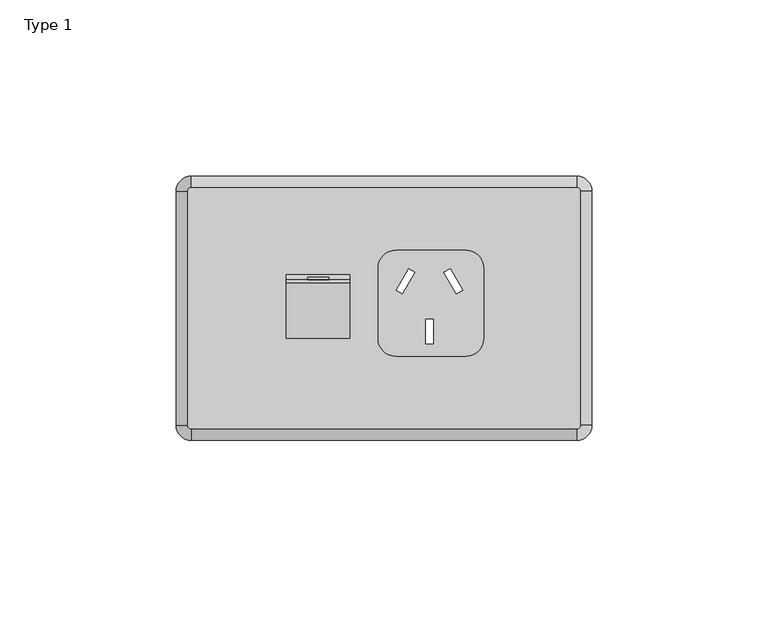
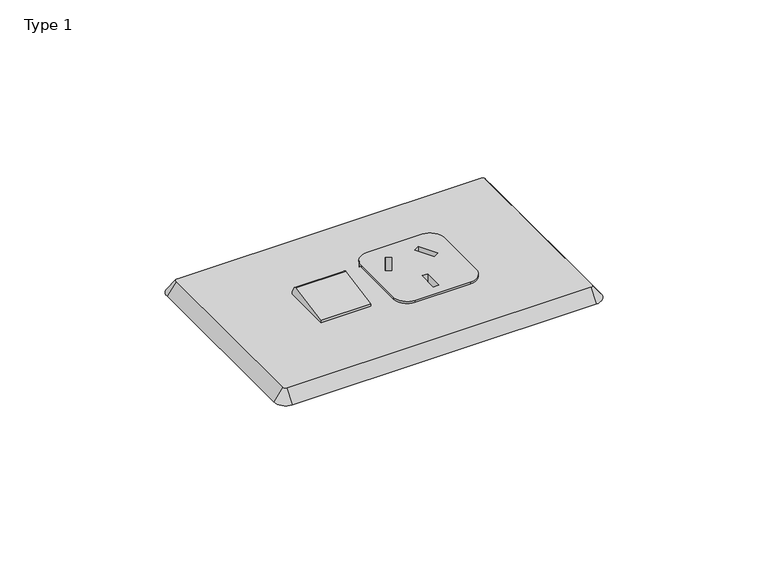
"""IFC4 building model written with IfcOpenShell, lengths in millimetres: proxy geometry, Type 1."""

from ifc_helpers import new_model, si_unit, point, frame, frame_2d, origin, origin_with_axes, place, context, project, spatial, polyline, circle_curve, trimmed, segment, composite_curve, outline, extrude, source, transform, mapped, element, save
from ifc_brep_helpers import plane_surface, cylinder_surface, revolved_surface, advanced_brep


def type_1_56e20935(model_context):
    return source(origin(), model_context, "Body", "SolidModel", [
        extrude(outline(polyline([(0.0, -6.0), (0.0, 0.0), (1.0, 0.0), (1.0, -6.0), (0.0, -6.0)])), frame((-15.6804219, 8.7997815, 6.2786688), z_axis=(0.0, -0.5, 0.8660254037844387), x_axis=(0.0, -0.8660254037844387, -0.5)), (0.0, 0.0, 1.0), 1.0),
        advanced_brep(
        [(-9.6804219, 9.4736674, 0.0), (-9.6804219, 9.4736674, 5.1114642), (-9.6804219, 8.0946456, 7.5), (-9.6804219, 7.0472665, 7.9834179), (-9.6804219, -8.5263326, 5.1114642), (-9.6804219, -8.5263326, 0.0), (-27.6804219, 9.4736674, 0.0), (-27.6804219, -8.5263326, 0.0), (-27.6804219, -8.5263326, 5.1114642), (-27.6804219, 7.0472665, 7.9834179), (-27.6804219, 8.0946456, 7.5), (-27.6804219, 9.4736674, 5.1114642), (-21.6804219, 8.7997815, 6.2786688), (-15.6804219, 8.7997815, 6.2786688), (-15.6804219, 8.2997815, 7.1446942), (-21.6804219, 8.2997815, 7.1446942), (-21.6804219, 7.9337561, 5.7786688), (-21.6804219, 7.4337561, 6.6446942), (-15.6804219, 7.4337561, 6.6446942), (-15.6804219, 7.9337561, 5.7786688)],
        [
            (0, 1),
            (1, 2),
            (2, 3, circle_curve(frame((-9.6804219, 7.2286202, 7.0), z_axis=(1.0, 0.0, 0.0), x_axis=(0.0, 0.0, -1.0)), 1.0)),
            (3, 4),
            (4, 5),
            (5, 0),
            (6, 7),
            (7, 8),
            (8, 9),
            (9, 10, circle_curve(frame((-27.6804219, 7.2286202, 7.0), z_axis=(-1.0, 0.0, 0.0), x_axis=(0.0, 0.0, -1.0)), 1.0)),
            (10, 11),
            (11, 6),
            (5, 7),
            (6, 0),
            (4, 8),
            (3, 9),
            (2, 10),
            (1, 11),
            (12, 13),
            (13, 14),
            (14, 15),
            (15, 12),
            (16, 17),
            (17, 18),
            (18, 19),
            (19, 16),
            (19, 13),
            (12, 16),
            (18, 14),
            (17, 15),
        ],
        [
            plane_surface(frame((-9.6804219, 1465.7366842, 0.0), z_axis=(1.0, 0.0, 0.0), x_axis=(0.0, 1.0, 0.0))),
            plane_surface(frame((-27.6804219, 1465.7366842, 0.0), z_axis=(-1.0, 0.0, 0.0), x_axis=(0.0, -1.0, 0.0))),
            plane_surface(frame((-27.6804219, 9.4736674, 0.0), z_axis=(0.0, 0.0, -1.0), x_axis=(1.0, 0.0, 0.0))),
            plane_surface(frame((-27.6804219, -8.5263326, 0.0), z_axis=(0.0, -1.0, 0.0), x_axis=(1.0, 0.0, 0.0))),
            plane_surface(frame((-27.6804219, -8.5263326, 5.1114642), z_axis=(0.0, -0.18135376114201404, 0.9834179240382216), x_axis=(1.0, 0.0, 0.0))),
            cylinder_surface(frame((-9.6804219, 7.2286202, 7.0), z_axis=(-1.0, 0.0, 0.0), x_axis=(0.0, 0.0, -1.0)), 1.0),
            plane_surface(frame((-27.6804219, 8.0946456, 7.5), z_axis=(0.0, 0.866025403784438, 0.500000000000001), x_axis=(1.0, 0.0, 0.0))),
            plane_surface(frame((-27.6804219, 9.4736674, 5.1114642), z_axis=(0.0, 1.0, 0.0), x_axis=(1.0, 0.0, 0.0))),
            plane_surface(frame((-18.6804219, 7.9337561, 5.7786688), z_axis=(0.0, 0.8660254037844383, 0.5000000000000007), x_axis=(1.0, 0.0, 0.0))),
            plane_surface(frame((-21.6804219, 7.9337561, 5.7786688), z_axis=(0.0, -0.5000000000000004, 0.8660254037844384), x_axis=(0.0, 0.8660254037844384, 0.5000000000000004))),
            plane_surface(frame((-15.6804219, 7.9337561, 5.7786688), z_axis=(-1.0, 0.0, 0.0), x_axis=(0.0, 0.8660254037844382, 0.5000000000000009))),
            plane_surface(frame((-15.6804219, 7.4337561, 6.6446942), z_axis=(0.0, 0.5000000000000004, -0.8660254037844384), x_axis=(0.0, 0.8660254037844384, 0.5000000000000004))),
            plane_surface(frame((-21.6804219, 7.4337561, 6.6446942), z_axis=(1.0, 0.0, 0.0), x_axis=(0.0, 0.8660254037844384, 0.5000000000000004))),
        ],
        [
            (0, [[1, 2, 3, 4, 5, 6]]),
            (1, [[7, 8, 9, 10, 11, 12]]),
            (2, [[-6, 13, -7, 14]]),
            (3, [[-5, 15, -8, -13]]),
            (4, [[-4, 16, -9, -15]]),
            (5, [[-3, 17, -10, -16]]),
            (6, [[-2, 18, -11, -17], [19, 20, 21, 22]]),
            (7, [[-1, -14, -12, -18]]),
            (8, [[23, 24, 25, 26]]),
            (9, [[-26, 27, -19, 28]]),
            (10, [[-25, 29, -20, -27]]),
            (11, [[-24, 30, -21, -29]]),
            (12, [[-23, -28, -22, -30]]),
        ],
    ),
        extrude(outline(composite_curve([segment(trimmed(circle_curve(frame_2d((23.3195781, 11.4130131)), 5.0), [point((23.3195781, 16.4130131))], [point((28.3195781, 11.4130131))], False, "CARTESIAN"), True, "CONTINUOUS"), segment(polyline([(28.3195781, 11.4130131), (28.3195781, -8.5869869)]), True, "CONTINUOUS"), segment(trimmed(circle_curve(frame_2d((23.3195781, -8.5869869)), 5.0), [point((28.3195781, -8.5869869))], [point((23.3195781, -13.5869869))], False, "CARTESIAN"), True, "CONTINUOUS"), segment(polyline([(23.3195781, -13.5869869), (3.3195781, -13.5869869)]), True, "CONTINUOUS"), segment(trimmed(circle_curve(frame_2d((3.3195781, -8.5869869)), 5.0), [point((3.3195781, -13.5869869))], [point((-1.6804219, -8.5869869))], False, "CARTESIAN"), True, "CONTINUOUS"), segment(polyline([(-1.6804219, -8.5869869), (-1.6804219, 11.4130131)]), True, "CONTINUOUS"), segment(trimmed(circle_curve(frame_2d((3.3195781, 11.4130131)), 5.0), [point((-1.6804219, 11.4130131))], [point((3.3195781, 16.4130131))], False, "CARTESIAN"), True, "CONTINUOUS"), segment(polyline([(3.3195781, 16.4130131), (23.3195781, 16.4130131)]), True, "CONTINUOUS")], self_intersect=False), holes=[polyline([(22.298677, 5.1380437), (18.7424377, 11.167402), (17.0197639, 10.1513337), (20.5760032, 4.1219753), (22.298677, 5.1380437)]), polyline([(3.4102317, 5.1380437), (5.1329055, 4.1219753), (8.6891448, 10.1513337), (6.966471, 11.167402), (3.4102317, 5.1380437)]), polyline([(11.9136378, -10.1130929), (13.9136378, -10.1130929), (13.9136378, -3.1130929), (11.9136378, -3.1130929), (11.9136378, -10.1130929)])]), origin_with_axes(), (0.0, 0.0, 1.0), 5.0),
        advanced_brep(
        [(54.75, 34.25, 4.5), (-54.75, 34.25, 4.5), (-55.75, 33.25, 4.5), (-55.75, -33.25, 4.5), (-54.75, -34.25, 4.5), (54.75, -34.25, 4.5), (55.75, -33.25, 4.5), (55.75, 33.25, 4.5), (23.3195781, 16.4130131, 4.5), (28.3195781, 11.4130131, 4.5), (28.3195781, -8.5869869, 4.5), (23.3195781, -13.5869869, 4.5), (3.3195781, -13.5869869, 4.5), (-1.6804219, -8.5869869, 4.5), (-1.6804219, 11.4130131, 4.5), (3.3195781, 16.4130131, 4.5), (-9.6804219, 9.4736674, 4.5), (-9.6804219, -8.5263326, 4.5), (-27.6804219, -8.5263326, 4.5), (-27.6804219, 9.4736674, 4.5), (54.75, 37.5, 0.0), (59.0, 33.25, 0.0), (59.0, -33.25, 0.0), (54.75, -37.5, 0.0), (-54.75, -37.5, 0.0), (-59.0, -33.25, 0.0), (-59.0, 33.25, 0.0), (-54.75, 37.5, 0.0), (28.3195781, 11.4130131, 0.0), (23.3195781, 16.4130131, 0.0), (3.3195781, 16.4130131, 0.0), (-1.6804219, 11.4130131, 0.0), (-1.6804219, -8.5869869, 0.0), (3.3195781, -13.5869869, 0.0), (23.3195781, -13.5869869, 0.0), (28.3195781, -8.5869869, 0.0), (-9.6804219, -8.5263326, 0.0), (-9.6804219, 9.4736674, 0.0), (-27.6804219, 9.4736674, 0.0), (-27.6804219, -8.5263326, 0.0)],
        [
            (0, 1),
            (1, 2, circle_curve(frame((-54.75, 33.25, 4.5), z_axis=(0.0, -1.9711565713147693e-12, 1.0), x_axis=(0.0, 1.0, 1.971128016525458e-12)), 1.0)),
            (2, 3),
            (3, 4, circle_curve(frame((-54.75, -33.25, 4.5), z_axis=(0.0, -1.946716861799183e-12, 1.0), x_axis=(-1.0, 0.0, 0.0)), 1.0)),
            (4, 5),
            (5, 6, circle_curve(frame((54.75, -33.25, 4.5), z_axis=(0.0, -1.8686977891148123e-12, 1.0), x_axis=(0.0, -1.0, -1.8687317559233394e-12)), 1.0)),
            (6, 7),
            (7, 0, circle_curve(frame((54.75, 33.25, 4.5), z_axis=(0.0, -1.8903175321478334e-12, 1.0), x_axis=(1.0, 0.0, 0.0)), 1.0)),
            (8, 9, circle_curve(frame((23.3195781, 11.4130131, 4.5), z_axis=(0.0, 0.0, -1.0), x_axis=(0.0, 1.0, 0.0)), 5.0)),
            (9, 10),
            (10, 11, circle_curve(frame((23.3195781, -8.5869869, 4.5), z_axis=(0.0, 0.0, -1.0), x_axis=(0.0, 1.0, 0.0)), 5.0)),
            (11, 12),
            (12, 13, circle_curve(frame((3.3195781, -8.5869869, 4.5), z_axis=(0.0, 0.0, -1.0), x_axis=(0.0, 1.0, 0.0)), 5.0)),
            (13, 14),
            (14, 15, circle_curve(frame((3.3195781, 11.4130131, 4.5), z_axis=(0.0, 0.0, -1.0), x_axis=(0.0, 1.0, 0.0)), 5.0)),
            (15, 8),
            (16, 17),
            (17, 18),
            (18, 19),
            (19, 16),
            (20, 21, circle_curve(frame((54.75, 33.25, 0.0), z_axis=(0.0, 1.8903175321478334e-12, -1.0), x_axis=(1.0, 0.0, 0.0)), 4.25)),
            (21, 22),
            (22, 23, circle_curve(frame((54.75, -33.25, 0.0), z_axis=(0.0, 1.8686977891148123e-12, -1.0), x_axis=(0.0, -1.0, -1.8687317559233394e-12)), 4.25)),
            (23, 24),
            (24, 25, circle_curve(frame((-54.75, -33.25, 0.0), z_axis=(0.0, 1.946716861799183e-12, -1.0), x_axis=(-1.0, 0.0, 0.0)), 4.25)),
            (25, 26),
            (26, 27, circle_curve(frame((-54.75, 33.25, 0.0), z_axis=(0.0, 1.9711565713147693e-12, -1.0), x_axis=(0.0, 1.0, 1.971128016525458e-12)), 4.25)),
            (27, 20),
            (28, 29, circle_curve(frame((23.3195781, 11.4130131, 0.0), z_axis=(0.0, 0.0, 1.0), x_axis=(0.0, 1.0, 0.0)), 5.0)),
            (29, 30),
            (30, 31, circle_curve(frame((3.3195781, 11.4130131, 0.0), z_axis=(0.0, 0.0, 1.0), x_axis=(0.0, 1.0, 0.0)), 5.0)),
            (31, 32),
            (32, 33, circle_curve(frame((3.3195781, -8.5869869, 0.0), z_axis=(0.0, 0.0, 1.0), x_axis=(0.0, 1.0, 0.0)), 5.0)),
            (33, 34),
            (34, 35, circle_curve(frame((23.3195781, -8.5869869, 0.0), z_axis=(0.0, 0.0, 1.0), x_axis=(0.0, 1.0, 0.0)), 5.0)),
            (35, 28),
            (36, 37),
            (37, 38),
            (38, 39),
            (39, 36),
            (0, 20),
            (27, 1),
            (26, 2),
            (25, 3),
            (24, 4),
            (23, 5),
            (22, 6),
            (21, 7),
            (28, 9),
            (8, 29),
            (35, 10),
            (34, 11),
            (33, 12),
            (32, 13),
            (31, 14),
            (30, 15),
            (36, 17),
            (16, 37),
            (39, 18),
            (38, 19),
        ],
        [
            plane_surface(frame((0.0, 0.0, 4.5), z_axis=(0.0, 0.0, 1.0), x_axis=(-1.0, 0.0, 0.0))),
            plane_surface(frame((0.0, 0.0, 0.0), z_axis=(0.0, 0.0, -1.0), x_axis=(-1.0, 0.0, 0.0))),
            plane_surface(frame((0.0, 37.5, 0.0), z_axis=(0.0, 0.8106792283971941, 0.5854905538480789), x_axis=(-1.0, 0.0, 0.0))),
            revolved_surface(polyline([(-54.75, 34.250000008495306, 4.500000000001971), (-54.75, 37.5, 0.0)]), (-54.75, 33.25, 5.8846154), (0.0, 1.9711565713147693e-12, -1.0)),
            plane_surface(frame((-59.0, 0.0, 0.0), z_axis=(-0.8106792283979467, 0.0, 0.5854905538470369), x_axis=(0.0, -1.0, 0.0))),
            revolved_surface(polyline([(-55.75000000849533, -33.25, 4.500000000001947), (-59.0, -33.25, 0.0)]), (-54.75, -33.25, 5.8846154), (0.0, 1.946716861799183e-12, -1.0)),
            plane_surface(frame((0.0, -37.5, 0.0), z_axis=(0.0, -0.8106792283986718, 0.5854905538460328), x_axis=(1.0, 0.0, 0.0))),
            revolved_surface(polyline([(54.75, -34.250000008496734, 4.5), (54.75, -37.500000000005734, -7.94209142895852e-12)]), (54.75, -33.25, 5.8846154), (0.0, 1.8686977891148123e-12, -1.0)),
            plane_surface(frame((59.0, 0.0, 0.0), z_axis=(0.8106792283979293, 0.0, 0.5854905538470608), x_axis=(0.0, 1.0, 0.0))),
            revolved_surface(polyline([(55.750000008496734, 33.25, 4.5), (59.0000000000058, 33.25, -8.033573806187633e-12)]), (54.75, 33.25, 5.8846154), (0.0, 1.8903175321478334e-12, -1.0)),
            revolved_surface(polyline([(23.3195781, 16.4130131, 0.0), (23.3195781, 16.4130131, 4.5)]), (23.3195781, 11.4130131, 4.5), (0.0, 0.0, -1.0)),
            plane_surface(frame((28.3195781, 11.4130131, 0.0), z_axis=(-1.0, 0.0, 0.0), x_axis=(0.0, 0.0, 1.0))),
            revolved_surface(polyline([(23.3195781, -3.5869868999999994, 0.0), (23.3195781, -3.5869868999999994, 4.5)]), (23.3195781, -8.5869869, 4.5), (0.0, 0.0, -1.0)),
            plane_surface(frame((23.3195781, -13.5869869, 0.0), z_axis=(0.0, 1.0, 0.0), x_axis=(0.0, 0.0, 1.0))),
            revolved_surface(polyline([(3.3195781, -3.5869868999999994, 0.0), (3.3195781, -3.5869868999999994, 4.5)]), (3.3195781, -8.5869869, 4.5), (0.0, 0.0, -1.0)),
            plane_surface(frame((-1.6804219, -8.5869869, 0.0), z_axis=(1.0, 0.0, 0.0), x_axis=(0.0, 0.0, 1.0))),
            revolved_surface(polyline([(3.3195781, 16.4130131, 0.0), (3.3195781, 16.4130131, 4.5)]), (3.3195781, 11.4130131, 4.5), (0.0, 0.0, -1.0)),
            plane_surface(frame((3.3195781, 16.4130131, 0.0), z_axis=(0.0, -1.0, 0.0), x_axis=(0.0, 0.0, 1.0))),
            plane_surface(frame((-9.6804219, 9.4736674, 0.0), z_axis=(-1.0, 0.0, 0.0), x_axis=(0.0, 0.0, 1.0))),
            plane_surface(frame((-9.6804219, -8.5263326, 0.0), z_axis=(0.0, 1.0, 0.0), x_axis=(0.0, 0.0, 1.0))),
            plane_surface(frame((-27.6804219, -8.5263326, 0.0), z_axis=(1.0, 0.0, 0.0), x_axis=(0.0, 0.0, 1.0))),
            plane_surface(frame((-27.6804219, 9.4736674, 0.0), z_axis=(0.0, -1.0, 0.0), x_axis=(0.0, 0.0, 1.0))),
        ],
        [
            (0, [[1, 2, 3, 4, 5, 6, 7, 8], [9, 10, 11, 12, 13, 14, 15, 16], [17, 18, 19, 20]]),
            (1, [[21, 22, 23, 24, 25, 26, 27, 28], [29, 30, 31, 32, 33, 34, 35, 36], [37, 38, 39, 40]]),
            (2, [[-1, 41, -28, 42]]),
            (3, [[-2, -42, -27, 43]]),
            (4, [[-3, -43, -26, 44]]),
            (5, [[-4, -44, -25, 45]]),
            (6, [[-5, -45, -24, 46]]),
            (7, [[-6, -46, -23, 47]]),
            (8, [[-7, -47, -22, 48]]),
            (9, [[-8, -48, -21, -41]]),
            (10, [[49, -9, 50, -29]]),
            (11, [[-49, -36, 51, -10]]),
            (12, [[-51, -35, 52, -11]]),
            (13, [[-52, -34, 53, -12]]),
            (14, [[-53, -33, 54, -13]]),
            (15, [[-54, -32, 55, -14]]),
            (16, [[-55, -31, 56, -15]]),
            (17, [[-50, -16, -56, -30]]),
            (18, [[57, -17, 58, -37]]),
            (19, [[-57, -40, 59, -18]]),
            (20, [[-59, -39, 60, -19]]),
            (21, [[-58, -20, -60, -38]]),
        ],
    ),
    ])


if __name__ == "__main__":
    model = new_model("IFC4")
    model_context = context("Model", 3, world=origin())
    ifc_project = project(units=[si_unit("LENGTHUNIT", "METRE", prefix="MILLI")], contexts=[model_context])
    site = spatial("IfcSite", under=ifc_project)
    building = spatial("IfcBuilding", under=site)
    placement = place(None, origin())
    type_1_shape = type_1_56e20935(model_context)
    element("IfcBuildingElementProxy", 1, Name="Type 1", ObjectType="Type 1", at=placement, inside=building, context=model_context, shape_type="MappedRepresentation", body=[
        mapped(type_1_shape, transform((0.0, 0.0, 0.0), x_axis=(1.0, 0.0, 0.0), y_axis=(0.0, 1.0, 0.0), z_axis=(0.0, 0.0, 1.0))),
    ])
    save(model, "model.ifc")
